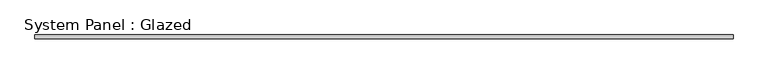
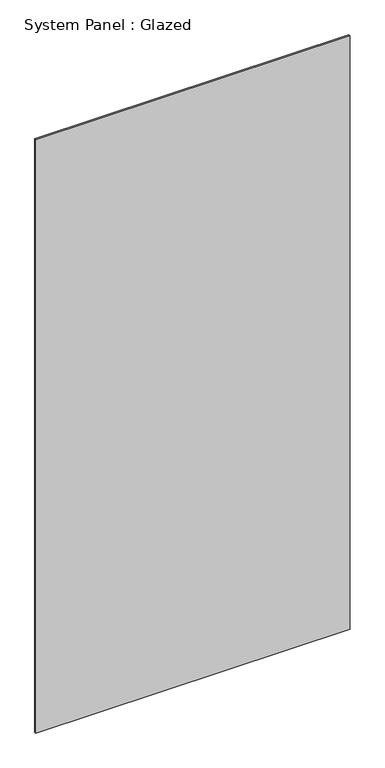
"""IFC4 building model written with IfcOpenShell, lengths in millimetres: plate geometry, System Panel : Glazed."""

from ifc_helpers import new_model, si_unit, origin, origin_with_axes, place, context, project, spatial, polyline, outline, extrude, source, transform, mapped, element, save


def system_panel_glazed_7d8cd2e9(model_context):
    return source(origin(), model_context, "Body", "SweptSolid", [
        extrude(outline(polyline([(596.6968, -3.175), (-596.6968, -3.175), (-596.6968, 3.175), (596.6968, 3.175), (596.6968, -3.175)])), origin_with_axes(), (0.0, 0.0, 1.0), 2381.3008),
    ])


if __name__ == "__main__":
    model = new_model("IFC4")
    model_context = context("Model", 3, world=origin())
    ifc_project = project(units=[si_unit("LENGTHUNIT", "METRE", prefix="MILLI")], contexts=[model_context])
    site = spatial("IfcSite", under=ifc_project)
    building = spatial("IfcBuilding", under=site)
    placement = place(None, origin())
    system_panel_glazed_shape = system_panel_glazed_7d8cd2e9(model_context)
    element("IfcPlate", 1, ObjectType="System Panel : Glazed", at=placement, inside=building, context=model_context, shape_type="MappedRepresentation", body=[
        mapped(system_panel_glazed_shape, transform((0.0, 0.0, 0.0), x_axis=(1.0, 0.0, 0.0), y_axis=(0.0, 1.0, 0.0), z_axis=(0.0, 0.0, 1.0))),
    ])
    save(model, "model.ifc")
